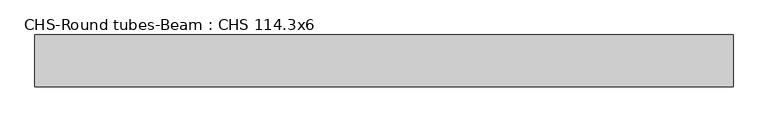
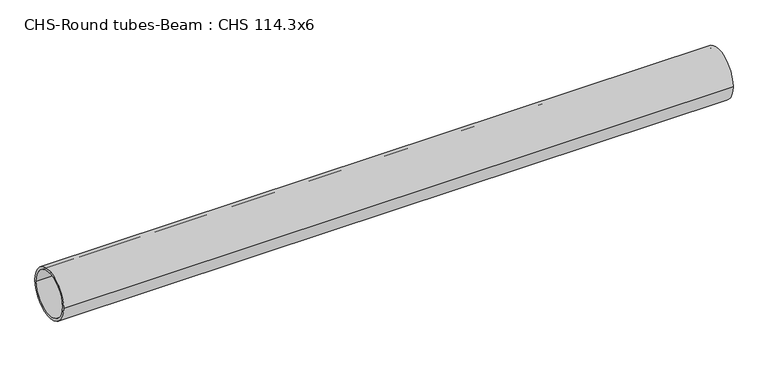
"""IFC4 building model written with IfcOpenShell, lengths in millimetres: beam geometry, CHS-Round tubes-Beam : CHS 114.3x6."""

from ifc_helpers import new_model, si_unit, point, frame, origin, origin_2d, place, context, project, spatial, circle_curve, trimmed, segment, composite_curve, outline, extrude, source, transform, mapped, element, save


def chs_round_tubes_beam_chs_114_3x6_556e9d4d(model_context):
    return source(origin(), model_context, "Body", "SweptSolid", [
        extrude(outline(composite_curve([segment(trimmed(circle_curve(origin_2d(), 57.15), [point((57.15, 0.0))], [point((-57.15, 0.0))], False, "CARTESIAN"), True, "CONTINUOUS"), segment(trimmed(circle_curve(origin_2d(), 57.15), [point((-57.15, 0.0))], [point((57.15, 0.0))], False, "CARTESIAN"), True, "CONTINUOUS")], self_intersect=False), holes=[composite_curve([segment(trimmed(circle_curve(origin_2d(), 51.15), [point((51.15, 0.0))], [point((-51.15, 0.0))], True, "CARTESIAN"), True, "CONTINUOUS"), segment(trimmed(circle_curve(origin_2d(), 51.15), [point((-51.15, 0.0))], [point((51.15, 0.0))], True, "CARTESIAN"), True, "CONTINUOUS")], self_intersect=False)]), frame((-742.1378366, 0.0, 0.0), z_axis=(1.0, 0.0, 0.0), x_axis=(0.0, 1.0, 0.0)), (0.0, 0.0, 1.0), 1538.7926477),
    ])


if __name__ == "__main__":
    model = new_model("IFC4")
    model_context = context("Model", 3, world=origin())
    ifc_project = project(units=[si_unit("LENGTHUNIT", "METRE", prefix="MILLI")], contexts=[model_context])
    site = spatial("IfcSite", under=ifc_project)
    building = spatial("IfcBuilding", under=site)
    placement = place(None, origin())
    chs_round_tubes_beam_chs_114_3x6_shape = chs_round_tubes_beam_chs_114_3x6_556e9d4d(model_context)
    element("IfcBeam", 1, ObjectType="CHS-Round tubes-Beam : CHS 114.3x6", at=placement, inside=building, context=model_context, shape_type="MappedRepresentation", body=[
        mapped(chs_round_tubes_beam_chs_114_3x6_shape, transform((0.0, 0.0, 0.0), x_axis=(1.0, 0.0, 0.0), y_axis=(0.0, 1.0, 0.0), z_axis=(0.0, 0.0, 1.0))),
    ])
    save(model, "model.ifc")
